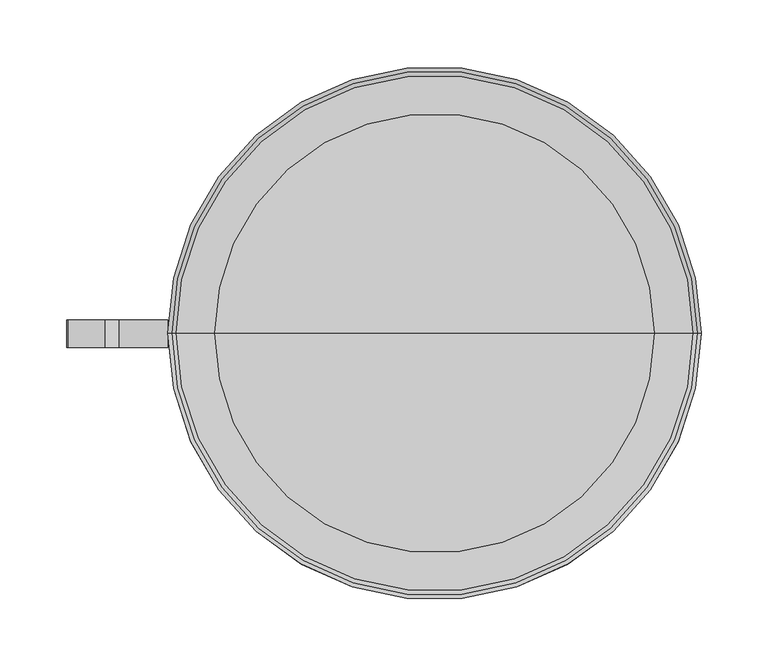
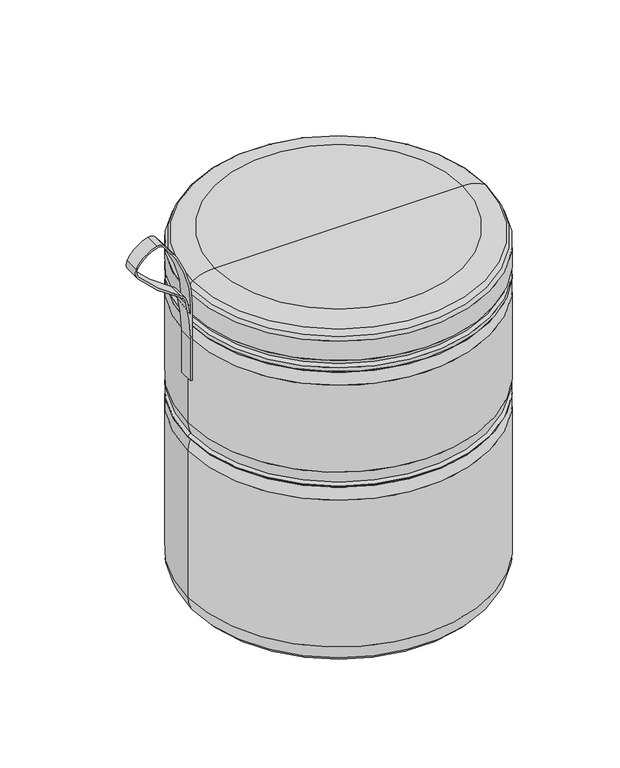
"""IFC4 building model written with IfcOpenShell, lengths in millimetres: furniture geometry."""

from ifc_helpers import new_model, si_unit, point, frame, frame_2d, origin, place, context, project, spatial, polyline, circle_curve, ellipse_curve, trimmed, segment, composite_curve, outline, extrude, source, transform, mapped, element, save
from ifc_brep_helpers import plane_surface, cylinder_surface, revolved_surface, advanced_brep


def furniture_73c41a26(model_context):
    return source(origin(), model_context, "Body", "SolidModel", [
        extrude(outline(composite_curve([segment(trimmed(circle_curve(frame_2d((446.3783013, -344.4964968)), 144.4964968), [point((446.3783013, -200.0))], [point((542.2004164, -236.3421634))], False, "CARTESIAN"), True, "CONTINUOUS"), segment(trimmed(circle_curve(frame_2d((535.2481164, -244.189218)), 10.4838324), [point((542.2004164, -236.3421634))], [point((545.3790289, -246.8865043))], False, "CARTESIAN"), True, "CONTINUOUS"), segment(trimmed(circle_curve(frame_2d((503.4047478, -235.7111386)), 43.4364947), [point((545.3790289, -246.8865043))], [point((523.0427239, -274.4548989))], False, "CARTESIAN"), True, "CONTINUOUS"), segment(trimmed(circle_curve(frame_2d((517.3009555, -263.1269646)), 12.7), [point((523.0427239, -274.4548989))], [point((508.7983712, -272.560737))], False, "CARTESIAN"), True, "CONTINUOUS"), segment(trimmed(circle_curve(frame_2d((666.3851887, -97.7152868)), 235.3816826), [point((508.7983712, -272.560737))], [point((463.3880131, -216.8651219))], False, "CARTESIAN"), True, "CONTINUOUS"), segment(trimmed(circle_curve(frame_2d((447.8658489, -225.9759054)), 17.9984431), [point((463.3880131, -216.8651219))], [point((452.081759, -208.4781896))], True, "CARTESIAN"), True, "CONTINUOUS"), segment(trimmed(circle_curve(frame_2d((399.3965889, -427.1427531)), 224.9220276), [point((452.081759, -208.4781896))], [point((399.3965889, -202.2207255))], True, "CARTESIAN"), True, "CONTINUOUS"), segment(polyline([(399.3965889, -202.2207255), (341.0493564, -202.2207255), (341.0493564, -200.0), (446.3783013, -200.0)]), True, "CONTINUOUS")], self_intersect=False), holes=[composite_curve([segment(trimmed(circle_curve(frame_2d((503.4047478, -235.7111386)), 40.8964947), [point((521.8943702, -272.189312))], [point((542.9245336, -246.2330117))], True, "CARTESIAN"), True, "CONTINUOUS"), segment(trimmed(circle_curve(frame_2d((535.2481164, -244.189218)), 7.9438324), [point((542.9245336, -246.2330117))], [point((540.5160283, -238.2433306))], True, "CARTESIAN"), True, "CONTINUOUS"), segment(trimmed(circle_curve(frame_2d((446.3783013, -344.4964968)), 141.9564968), [point((540.5160283, -238.2433306))], [point((446.3783013, -202.54))], True, "CARTESIAN"), True, "CONTINUOUS"), segment(polyline([(446.3783013, -202.54), (435.3490199, -202.54)]), True, "CONTINUOUS"), segment(trimmed(circle_curve(frame_2d((399.3965889, -427.1427531)), 227.4620276), [point((435.3490199, -202.54))], [point((452.6767222, -206.0088539))], False, "CARTESIAN"), True, "CONTINUOUS"), segment(trimmed(circle_curve(frame_2d((447.8658489, -225.9759054)), 20.5384431), [point((452.6767222, -206.0088539))], [point((465.5785524, -215.5793779))], False, "CARTESIAN"), True, "CONTINUOUS"), segment(trimmed(circle_curve(frame_2d((666.3851887, -97.7152868)), 232.8416826), [point((465.5785524, -215.5793779))], [point((510.4988881, -270.6739826))], True, "CARTESIAN"), True, "CONTINUOUS"), segment(trimmed(circle_curve(frame_2d((517.3009555, -263.1269646)), 10.16), [point((510.4988881, -270.6739826))], [point((521.8943702, -272.189312))], True, "CARTESIAN"), True, "CONTINUOUS")], self_intersect=False)]), frame((0.0, -10.6155736, 0.0), z_axis=(0.0, 1.0, 0.0), x_axis=(0.0, 0.0, 1.0)), (0.0, 0.0, 1.0), 20.6899865),
        advanced_brep(
        [(193.6363623, -0.0010058, 472.1365628), (-193.6363623, -0.0010058, 472.1365628), (-165.0571474, -0.0010058, 480.0), (165.0571474, -0.0010058, 480.0), (196.1222655, -0.0010058, 463.4324708), (-196.1222655, -0.0010058, 463.4324708), (200.0, -0.0010058, 459.5547363), (-200.0, -0.0010058, 459.5547363), (200.0, -0.0010058, 432.3091973), (-200.0, -0.0010058, 432.3091973), (196.1446394, -0.0010058, 425.668905), (-196.1446394, -0.0010058, 425.668905), (200.0, -0.0010058, 422.3668905), (-200.0, -0.0010058, 422.3668905), (200.0, -0.0010058, 417.0641107), (-200.0, -0.0010058, 417.0641107), (196.1446394, -0.0010058, 413.6168063), (-196.1446394, -0.0010058, 413.6168063), (200.0, -0.0010058, 397.6172015), (-200.0, -0.0010058, 397.6172015), (200.0, -0.0010058, 275.9210687), (-200.0, -0.0010058, 275.9210687), (196.1446394, -0.0010058, 259.3898103), (-196.1446394, -0.0010058, 259.3898103), (200.0, -0.0010058, 256.4364826), (-200.0, -0.0010058, 256.4364826), (200.0, -0.0010058, 255.4591105), (-200.0, -0.0010058, 255.4591105), (196.1930755, -0.0010058, 252.5154646), (-196.1930755, -0.0010058, 252.5154646), (200.0, -0.0010058, 236.5169332), (-200.0, -0.0010058, 236.5169332), (200.0, -0.0010058, 30.8964394), (-200.0, -0.0010058, 30.8964394), (194.4574572, -0.0010058, 11.9618462), (-194.4574572, -0.0010058, 11.9618462), (172.5943573, -0.0010058, 0.0), (-172.5943573, -0.0010058, 0.0), (0.0, -0.0010058, 0.0), (0.0, -0.0010058, 480.0)],
        [
            (0, 1, circle_curve(frame((0.0, -0.0010058, 472.1365628), z_axis=(0.0, 0.0, 1.0), x_axis=(-1.0, 0.0, 0.0)), 193.6363623)),
            (1, 2, circle_curve(frame((-165.0571474, -0.0010058, 424.1335165), z_axis=(0.0, 1.0, 0.0), x_axis=(1.0, 0.0, 0.0)), 55.8664835)),
            (2, 3, circle_curve(frame((0.0, -0.0010058, 480.0), z_axis=(0.0, 0.0, -1.0), x_axis=(-1.0, 0.0, 0.0)), 165.0571474)),
            (3, 0, circle_curve(frame((165.0571474, -0.0010058, 424.1335165), z_axis=(0.0, 1.0, 0.0), x_axis=(-1.0, 0.0, 0.0)), 55.8664835)),
            (1, 0, circle_curve(frame((0.0, -0.0010058, 472.1365628), z_axis=(0.0, 0.0, 1.0), x_axis=(-1.0, 0.0, 0.0)), 193.6363623)),
            (3, 2, circle_curve(frame((0.0, -0.0010058, 480.0), z_axis=(0.0, 0.0, -1.0), x_axis=(-1.0, 0.0, 0.0)), 165.0571474)),
            (4, 5, circle_curve(frame((0.0, -0.0010058, 463.4324708), z_axis=(0.0, 0.0, 1.0), x_axis=(-1.0, 0.0, 0.0)), 196.1222655)),
            (5, 1, circle_curve(frame((-190.2598374, -0.0010058, 466.4651866), z_axis=(0.0, 1.0, 0.0), x_axis=(1.0, 0.0, 0.0)), 6.6004112)),
            (0, 4, circle_curve(frame((190.2598374, -0.0010058, 466.4651866), z_axis=(0.0, 1.0, 0.0), x_axis=(-1.0, 0.0, 0.0)), 6.6004112)),
            (5, 4, circle_curve(frame((0.0, -0.0010058, 463.4324708), z_axis=(0.0, 0.0, 1.0), x_axis=(-1.0, 0.0, 0.0)), 196.1222655)),
            (6, 7, circle_curve(frame((0.0, -0.0010058, 459.5547363), z_axis=(0.0, 0.0, 1.0), x_axis=(-1.0, 0.0, 0.0)), 200.0)),
            (7, 5, circle_curve(frame((-191.8949951, -0.0010058, 455.327466), z_axis=(0.0, 1.0, 0.0), x_axis=(1.0, 0.0, 0.0)), 9.1411661)),
            (4, 6, circle_curve(frame((191.8949951, -0.0010058, 455.327466), z_axis=(0.0, 1.0, 0.0), x_axis=(-1.0, 0.0, 0.0)), 9.1411661)),
            (7, 6, circle_curve(frame((0.0, -0.0010058, 459.5547363), z_axis=(0.0, 0.0, 1.0), x_axis=(-1.0, 0.0, 0.0)), 200.0)),
            (8, 9, circle_curve(frame((0.0, -0.0010058, 432.3091973), z_axis=(0.0, 0.0, 1.0), x_axis=(-1.0, 0.0, 0.0)), 200.0)),
            (9, 7),
            (6, 8),
            (9, 8, circle_curve(frame((0.0, -0.0010058, 432.3091973), z_axis=(0.0, 0.0, 1.0), x_axis=(-1.0, 0.0, 0.0)), 200.0)),
            (10, 11, circle_curve(frame((0.0, -0.0010058, 425.668905), z_axis=(0.0, 0.0, 1.0), x_axis=(-1.0, 0.0, 0.0)), 196.1446394)),
            (11, 9, circle_curve(frame((-187.2205324, -0.0010058, 435.2896101), z_axis=(0.0, 1.0, 0.0), x_axis=(1.0, 0.0, 0.0)), 13.1224104)),
            (8, 10, circle_curve(frame((187.2205324, -0.0010058, 435.2896101), z_axis=(0.0, 1.0, 0.0), x_axis=(-1.0, 0.0, 0.0)), 13.1224104)),
            (11, 10, circle_curve(frame((0.0, -0.0010058, 425.668905), z_axis=(0.0, 0.0, 1.0), x_axis=(-1.0, 0.0, 0.0)), 196.1446394)),
            (12, 13, circle_curve(frame((0.0, -0.0010058, 422.3668905), z_axis=(0.0, 0.0, 1.0), x_axis=(-1.0, 0.0, 0.0)), 200.0)),
            (13, 11, circle_curve(frame((-195.2691095, -0.0010058, 420.7449302), z_axis=(0.0, 1.0, 0.0), x_axis=(1.0, 0.0, 0.0)), 5.0012079)),
            (10, 12, circle_curve(frame((195.2691095, -0.0010058, 420.7449302), z_axis=(0.0, 1.0, 0.0), x_axis=(-1.0, 0.0, 0.0)), 5.0012079)),
            (13, 12, circle_curve(frame((0.0, -0.0010058, 422.3668905), z_axis=(0.0, 0.0, 1.0), x_axis=(-1.0, 0.0, 0.0)), 200.0)),
            (14, 15, circle_curve(frame((0.0, -0.0010058, 417.0641107), z_axis=(0.0, 0.0, 1.0), x_axis=(-1.0, 0.0, 0.0)), 200.0)),
            (15, 13),
            (12, 14),
            (15, 14, circle_curve(frame((0.0, -0.0010058, 417.0641107), z_axis=(0.0, 0.0, 1.0), x_axis=(-1.0, 0.0, 0.0)), 200.0)),
            (16, 17, circle_curve(frame((0.0, -0.0010058, 413.6168063), z_axis=(0.0, 0.0, 1.0), x_axis=(-1.0, 0.0, 0.0)), 196.1446394)),
            (17, 15, circle_curve(frame((-195.372387, -0.0010058, 418.3599813), z_axis=(0.0, 1.0, 0.0), x_axis=(1.0, 0.0, 0.0)), 4.8056303)),
            (14, 16, circle_curve(frame((195.372387, -0.0010058, 418.3599813), z_axis=(0.0, 1.0, 0.0), x_axis=(-1.0, 0.0, 0.0)), 4.8056303)),
            (17, 16, circle_curve(frame((0.0, -0.0010058, 413.6168063), z_axis=(0.0, 0.0, 1.0), x_axis=(-1.0, 0.0, 0.0)), 196.1446394)),
            (18, 19, circle_curve(frame((0.0, -0.0010058, 397.6172015), z_axis=(0.0, 0.0, 1.0), x_axis=(-1.0, 0.0, 0.0)), 200.0)),
            (19, 17, circle_curve(frame((-164.8734338, -0.0010058, 397.6172015), z_axis=(0.0, 1.0, 0.0), x_axis=(1.0, 0.0, 0.0)), 35.1265662)),
            (16, 18, circle_curve(frame((164.8734338, -0.0010058, 397.6172015), z_axis=(0.0, 1.0, 0.0), x_axis=(-1.0, 0.0, 0.0)), 35.1265662)),
            (19, 18, circle_curve(frame((0.0, -0.0010058, 397.6172015), z_axis=(0.0, 0.0, 1.0), x_axis=(-1.0, 0.0, 0.0)), 200.0)),
            (20, 21, circle_curve(frame((0.0, -0.0010058, 275.9210687), z_axis=(0.0, 0.0, 1.0), x_axis=(-1.0, 0.0, 0.0)), 200.0)),
            (21, 19),
            (18, 20),
            (21, 20, circle_curve(frame((0.0, -0.0010058, 275.9210687), z_axis=(0.0, 0.0, 1.0), x_axis=(-1.0, 0.0, 0.0)), 200.0)),
            (22, 23, circle_curve(frame((0.0, -0.0010058, 259.3898103), z_axis=(0.0, 0.0, 1.0), x_axis=(-1.0, 0.0, 0.0)), 196.1446394)),
            (23, 21, circle_curve(frame((-162.6304334, -0.0010058, 275.9210687), z_axis=(0.0, 1.0, 0.0), x_axis=(1.0, 0.0, 0.0)), 37.3695666)),
            (20, 22, circle_curve(frame((162.6304334, -0.0010058, 275.9210687), z_axis=(0.0, 1.0, 0.0), x_axis=(-1.0, 0.0, 0.0)), 37.3695666)),
            (23, 22, circle_curve(frame((0.0, -0.0010058, 259.3898103), z_axis=(0.0, 0.0, 1.0), x_axis=(-1.0, 0.0, 0.0)), 196.1446394)),
            (24, 25, circle_curve(frame((0.0, -0.0010058, 256.4364826), z_axis=(0.0, 0.0, 1.0), x_axis=(-1.0, 0.0, 0.0)), 200.0)),
            (25, 23, circle_curve(frame((-195.0987235, -0.0010058, 254.0313268), z_axis=(0.0, 1.0, 0.0), x_axis=(1.0, 0.0, 0.0)), 5.4596049)),
            (22, 24, circle_curve(frame((195.0987235, -0.0010058, 254.0313268), z_axis=(0.0, 1.0, 0.0), x_axis=(-1.0, 0.0, 0.0)), 5.4596049)),
            (25, 24, circle_curve(frame((0.0, -0.0010058, 256.4364826), z_axis=(0.0, 0.0, 1.0), x_axis=(-1.0, 0.0, 0.0)), 200.0)),
            (26, 27, circle_curve(frame((0.0, -0.0010058, 255.4591105), z_axis=(0.0, 0.0, 1.0), x_axis=(-1.0, 0.0, 0.0)), 200.0)),
            (27, 25),
            (24, 26),
            (27, 26, circle_curve(frame((0.0, -0.0010058, 255.4591105), z_axis=(0.0, 0.0, 1.0), x_axis=(-1.0, 0.0, 0.0)), 200.0)),
            (28, 29, circle_curve(frame((0.0, -0.0010058, 252.5154646), z_axis=(0.0, 0.0, 1.0), x_axis=(-1.0, 0.0, 0.0)), 196.1930755)),
            (29, 27, circle_curve(frame((-195.0987235, -0.0010058, 257.8642663), z_axis=(0.0, 1.0, 0.0), x_axis=(1.0, 0.0, 0.0)), 5.4596049)),
            (26, 28, circle_curve(frame((195.0987235, -0.0010058, 257.8642663), z_axis=(0.0, 1.0, 0.0), x_axis=(-1.0, 0.0, 0.0)), 5.4596049)),
            (29, 28, circle_curve(frame((0.0, -0.0010058, 252.5154646), z_axis=(0.0, 0.0, 1.0), x_axis=(-1.0, 0.0, 0.0)), 196.1930755)),
            (30, 31, circle_curve(frame((0.0, -0.0010058, 236.5169332), z_axis=(0.0, 0.0, 1.0), x_axis=(-1.0, 0.0, 0.0)), 200.0)),
            (31, 29, circle_curve(frame((-164.4797677, -0.0010058, 236.5169332), z_axis=(0.0, 1.0, 0.0), x_axis=(1.0, 0.0, 0.0)), 35.5202323)),
            (28, 30, circle_curve(frame((164.4797677, -0.0010058, 236.5169332), z_axis=(0.0, 1.0, 0.0), x_axis=(-1.0, 0.0, 0.0)), 35.5202323)),
            (31, 30, circle_curve(frame((0.0, -0.0010058, 236.5169332), z_axis=(0.0, 0.0, 1.0), x_axis=(-1.0, 0.0, 0.0)), 200.0)),
            (32, 33, circle_curve(frame((0.0, -0.0010058, 30.8964394), z_axis=(0.0, 0.0, 1.0), x_axis=(-1.0, 0.0, 0.0)), 200.0)),
            (33, 31),
            (30, 32),
            (33, 32, circle_curve(frame((0.0, -0.0010058, 30.8964394), z_axis=(0.0, 0.0, 1.0), x_axis=(-1.0, 0.0, 0.0)), 200.0)),
            (34, 35, circle_curve(frame((0.0, -0.0010058, 11.9618462), z_axis=(0.0, 0.0, 1.0), x_axis=(-1.0, 0.0, 0.0)), 194.4574572)),
            (35, 33, circle_curve(frame((-164.8862792, -0.0010058, 30.8964394), z_axis=(0.0, 1.0, 0.0), x_axis=(1.0, 0.0, 0.0)), 35.1137208)),
            (32, 34, circle_curve(frame((164.8862792, -0.0010058, 30.8964394), z_axis=(0.0, 1.0, 0.0), x_axis=(-1.0, 0.0, 0.0)), 35.1137208)),
            (35, 34, circle_curve(frame((0.0, -0.0010058, 11.9618462), z_axis=(0.0, 0.0, 1.0), x_axis=(-1.0, 0.0, 0.0)), 194.4574572)),
            (36, 37, circle_curve(frame((0.0, -0.0010058, 0.0), z_axis=(0.0, 0.0, 1.0), x_axis=(-1.0, 0.0, 0.0)), 172.5943573)),
            (37, 35, circle_curve(frame((-172.5943573, -0.0010058, 25.9609132), z_axis=(0.0, 1.0, 0.0), x_axis=(1.0, 0.0, 0.0)), 25.9609132)),
            (34, 36, circle_curve(frame((172.5943573, -0.0010058, 25.9609132), z_axis=(0.0, 1.0, 0.0), x_axis=(-1.0, 0.0, 0.0)), 25.9609132)),
            (37, 36, circle_curve(frame((0.0, -0.0010058, 0.0), z_axis=(0.0, 0.0, 1.0), x_axis=(-1.0, 0.0, 0.0)), 172.5943573)),
            (38, 37),
            (36, 38),
            (2, 39),
            (39, 3),
        ],
        [
            revolved_surface(trimmed(ellipse_curve(frame((-165.0571474, -0.0010058, 424.1335165), z_axis=(0.0, -1.0, 0.0), x_axis=(1.0, 0.0, 0.0)), 55.8664835, 55.8664835), [point((-165.0571474, -0.0010058, 480.0))], [point((-193.6363623, -0.0010058, 472.1365628))], True, "CARTESIAN"), (0.0, -0.0010058, 483.2430107), (0.0, 0.0, -1.0)),
            revolved_surface(trimmed(ellipse_curve(frame((-190.2598374, -0.0010058, 466.4651866), z_axis=(0.0, -1.0, 0.0), x_axis=(1.0, 0.0, 0.0)), 6.6004112, 6.6004112), [point((-193.6363623, -0.0010058, 472.1365628))], [point((-196.1222655, -0.0010058, 463.4324708))], True, "CARTESIAN"), (0.0, -0.0010058, 483.2430107), (0.0, 0.0, -1.0)),
            revolved_surface(trimmed(ellipse_curve(frame((-191.8949951, -0.0010058, 455.327466), z_axis=(0.0, -1.0, 0.0), x_axis=(1.0, 0.0, 0.0)), 9.1411661, 9.1411661), [point((-196.1222655, -0.0010058, 463.4324708))], [point((-200.0, -0.0010058, 459.5547363))], True, "CARTESIAN"), (0.0, -0.0010058, 483.2430107), (0.0, 0.0, -1.0)),
            cylinder_surface(frame((0.0, -0.0010058, 483.2430107), z_axis=(0.0, 0.0, -1.0), x_axis=(-1.0, 0.0, 0.0)), 200.0),
            revolved_surface(trimmed(ellipse_curve(frame((-187.2205324, -0.0010058, 435.2896101), z_axis=(0.0, -1.0, 0.0), x_axis=(1.0, 0.0, 0.0)), 13.1224104, 13.1224104), [point((-200.0, -0.0010058, 432.3091973))], [point((-196.1446394, -0.0010058, 425.668905))], True, "CARTESIAN"), (0.0, -0.0010058, 483.2430107), (0.0, 0.0, -1.0)),
            revolved_surface(trimmed(ellipse_curve(frame((-195.2691095, -0.0010058, 420.7449302), z_axis=(0.0, -1.0, 0.0), x_axis=(1.0, 0.0, 0.0)), 5.0012079, 5.0012079), [point((-196.1446394, -0.0010058, 425.668905))], [point((-200.0, -0.0010058, 422.3668905))], True, "CARTESIAN"), (0.0, -0.0010058, 483.2430107), (0.0, 0.0, -1.0)),
            revolved_surface(trimmed(ellipse_curve(frame((-195.372387, -0.0010058, 418.3599813), z_axis=(0.0, -1.0, 0.0), x_axis=(1.0, 0.0, 0.0)), 4.8056303, 4.8056303), [point((-200.0, -0.0010058, 417.0641107))], [point((-196.1446394, -0.0010058, 413.6168063))], True, "CARTESIAN"), (0.0, -0.0010058, 483.2430107), (0.0, 0.0, -1.0)),
            revolved_surface(trimmed(ellipse_curve(frame((-164.8734338, -0.0010058, 397.6172015), z_axis=(0.0, -1.0, 0.0), x_axis=(1.0, 0.0, 0.0)), 35.1265662, 35.1265662), [point((-196.1446394, -0.0010058, 413.6168063))], [point((-200.0, -0.0010058, 397.6172015))], True, "CARTESIAN"), (0.0, -0.0010058, 483.2430107), (0.0, 0.0, -1.0)),
            revolved_surface(trimmed(ellipse_curve(frame((-162.6304334, -0.0010058, 275.9210687), z_axis=(0.0, -1.0, 0.0), x_axis=(1.0, 0.0, 0.0)), 37.3695666, 37.3695666), [point((-200.0, -0.0010058, 275.9210687))], [point((-196.1446394, -0.0010058, 259.3898103))], True, "CARTESIAN"), (0.0, -0.0010058, 483.2430107), (0.0, 0.0, -1.0)),
            revolved_surface(trimmed(ellipse_curve(frame((-195.0987235, -0.0010058, 254.0313268), z_axis=(0.0, -1.0, 0.0), x_axis=(1.0, 0.0, 0.0)), 5.4596049, 5.4596049), [point((-196.1446394, -0.0010058, 259.3898103))], [point((-200.0, -0.0010058, 256.4364826))], True, "CARTESIAN"), (0.0, -0.0010058, 483.2430107), (0.0, 0.0, -1.0)),
            revolved_surface(trimmed(ellipse_curve(frame((-195.0987235, -0.0010058, 257.8642663), z_axis=(0.0, -1.0, 0.0), x_axis=(1.0, 0.0, 0.0)), 5.4596049, 5.4596049), [point((-200.0, -0.0010058, 255.4591105))], [point((-196.1930755, -0.0010058, 252.5154646))], True, "CARTESIAN"), (0.0, -0.0010058, 483.2430107), (0.0, 0.0, -1.0)),
            revolved_surface(trimmed(ellipse_curve(frame((-164.4797677, -0.0010058, 236.5169332), z_axis=(0.0, -1.0, 0.0), x_axis=(1.0, 0.0, 0.0)), 35.5202323, 35.5202323), [point((-196.1930755, -0.0010058, 252.5154646))], [point((-200.0, -0.0010058, 236.5169332))], True, "CARTESIAN"), (0.0, -0.0010058, 483.2430107), (0.0, 0.0, -1.0)),
            revolved_surface(trimmed(ellipse_curve(frame((-164.8862792, -0.0010058, 30.8964394), z_axis=(0.0, -1.0, 0.0), x_axis=(1.0, 0.0, 0.0)), 35.1137208, 35.1137208), [point((-200.0, -0.0010058, 30.8964394))], [point((-194.4574572, -0.0010058, 11.9618462))], True, "CARTESIAN"), (0.0, -0.0010058, 483.2430107), (0.0, 0.0, -1.0)),
            revolved_surface(trimmed(ellipse_curve(frame((-172.5943573, -0.0010058, 25.9609132), z_axis=(0.0, -1.0, 0.0), x_axis=(1.0, 0.0, 0.0)), 25.9609132, 25.9609132), [point((-194.4574572, -0.0010058, 11.9618462))], [point((-172.5943573, -0.0010058, 0.0))], True, "CARTESIAN"), (0.0, -0.0010058, 483.2430107), (0.0, 0.0, -1.0)),
            plane_surface(frame((0.0, -0.0010058, 0.0), z_axis=(0.0, 0.0, -1.0), x_axis=(-1.0, 0.0, 0.0))),
            plane_surface(frame((0.0, -0.0010058, 480.0), z_axis=(0.0, 0.0, 1.0), x_axis=(-1.0, 0.0, 0.0))),
        ],
        [
            (0, [[1, 2, 3, 4]]),
            (0, [[5, -4, 6, -2]]),
            (1, [[7, 8, -1, 9]]),
            (1, [[10, -9, -5, -8]]),
            (2, [[11, 12, -7, 13]]),
            (2, [[14, -13, -10, -12]]),
            (3, [[15, 16, -11, 17]]),
            (3, [[18, -17, -14, -16]]),
            (4, [[19, 20, -15, 21]]),
            (4, [[22, -21, -18, -20]]),
            (5, [[23, 24, -19, 25]]),
            (5, [[26, -25, -22, -24]]),
            (3, [[27, 28, -23, 29]]),
            (3, [[30, -29, -26, -28]]),
            (6, [[31, 32, -27, 33]]),
            (6, [[34, -33, -30, -32]]),
            (7, [[35, 36, -31, 37]]),
            (7, [[38, -37, -34, -36]]),
            (3, [[39, 40, -35, 41]]),
            (3, [[42, -41, -38, -40]]),
            (8, [[43, 44, -39, 45]]),
            (8, [[46, -45, -42, -44]]),
            (9, [[47, 48, -43, 49]]),
            (9, [[50, -49, -46, -48]]),
            (3, [[51, 52, -47, 53]]),
            (3, [[54, -53, -50, -52]]),
            (10, [[55, 56, -51, 57]]),
            (10, [[58, -57, -54, -56]]),
            (11, [[59, 60, -55, 61]]),
            (11, [[62, -61, -58, -60]]),
            (3, [[63, 64, -59, 65]]),
            (3, [[66, -65, -62, -64]]),
            (12, [[67, 68, -63, 69]]),
            (12, [[70, -69, -66, -68]]),
            (13, [[71, 72, -67, 73]]),
            (13, [[74, -73, -70, -72]]),
            (14, [[75, -71, 76]]),
            (14, [[-76, -74, -75]]),
            (15, [[-3, 77, 78]]),
            (15, [[-6, -78, -77]]),
        ],
    ),
    ])


if __name__ == "__main__":
    model = new_model("IFC4")
    model_context = context("Model", 3, world=origin())
    ifc_project = project(units=[si_unit("LENGTHUNIT", "METRE", prefix="MILLI")], contexts=[model_context])
    site = spatial("IfcSite", under=ifc_project)
    building = spatial("IfcBuilding", under=site)
    placement = place(None, origin())
    furniture_shape = furniture_73c41a26(model_context)
    element("IfcFurniture", 1, at=placement, inside=building, context=model_context, shape_type="MappedRepresentation", body=[
        mapped(furniture_shape, transform((0.0, 0.0, 0.0), x_axis=(1.0, 0.0, 0.0), y_axis=(0.0, 1.0, 0.0), z_axis=(0.0, 0.0, 1.0))),
    ])
    save(model, "model.ifc")
